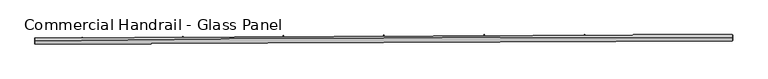
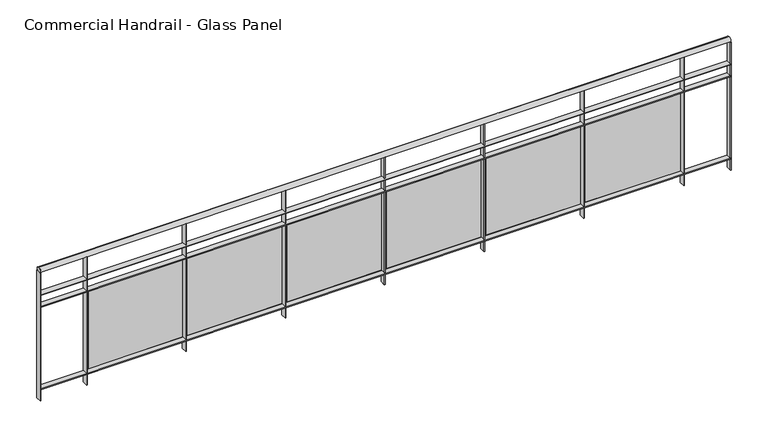
"""IFC4 building model written with IfcOpenShell, lengths in millimetres: railing geometry, Commercial Handrail - Glass Panel."""

from ifc_helpers import new_model, si_unit, point, frame, origin, place, context, project, spatial, polyline, circle_curve, ellipse_curve, trimmed, outline, extrude, source, transform, mapped, element, save
from ifc_brep_helpers import plane_surface, cylinder_surface, revolved_surface, advanced_brep


def commercial_handrail_glass_panel_a58a7375(model_context):
    return source(origin(), model_context, "Body", "SolidModel", [
        advanced_brep(
        [(99695.5207842, -31501.488128, 19682.5), (105244.6880932, -31476.3541341, 19682.5), (105244.6880932, -31476.3541341, 19717.5), (99695.5207842, -31501.488128, 19717.5)],
        [
            (0, 1, circle_curve(frame((103958.1605732, -360026.9365691, 19682.5), z_axis=(0.0, 0.0, -1.0), x_axis=(0.003915736953513462, 0.9999923334726676, 0.0)), 328553.1012963)),
            (1, 2, ellipse_curve(frame((105244.6880932, -31476.3541341, 19700.0), z_axis=(-0.9999923334726678, 0.003915736953507025, 0.0), x_axis=(0.003915736953507024, 0.9999923334726676, 0.0)), 25.0, 17.5)),
            (2, 3, circle_curve(frame((103958.1605732, -360026.9365691, 19717.5), z_axis=(0.0, 0.0, 1.0), x_axis=(0.003915736953513462, 0.9999923334726676, 0.0)), 328553.1012963)),
            (3, 0, ellipse_curve(frame((99695.5207842, -31501.488128, 19700.0), z_axis=(0.9999158344417998, 0.012973975202676357, 0.0), x_axis=(-0.012973975202676354, 0.9999158344417995, 0.0)), 25.0, 17.5)),
            (2, 1, ellipse_curve(frame((105244.6880932, -31476.3541341, 19700.0), z_axis=(-0.9999923334726678, 0.003915736953507025, 0.0), x_axis=(0.003915736953507024, 0.9999923334726676, 0.0)), 25.0, 17.5)),
            (0, 3, ellipse_curve(frame((99695.5207842, -31501.488128, 19700.0), z_axis=(0.9999158344417998, 0.012973975202676357, 0.0), x_axis=(-0.012973975202676354, 0.9999158344417995, 0.0)), 25.0, 17.5)),
        ],
        [
            revolved_surface(trimmed(ellipse_curve(frame((105244.6880932, -31476.3541341, 19700.0), z_axis=(0.9999923334726676, -0.003915736953513463, 0.0), x_axis=(0.0, 0.0, -1.0)), 17.5, 25.0), [point((105244.6880932, -31476.3541341, 19717.5))], [point((105244.6880932, -31476.3541341, 19682.5))], True, "CARTESIAN"), (103958.1605732, -360026.9365691, 19700.0), (0.0, 0.0, 1.0)),
            revolved_surface(trimmed(ellipse_curve(frame((105244.6880932, -31476.3541341, 19700.0), z_axis=(0.9999923334726676, -0.003915736953513463, 0.0), x_axis=(0.0, 0.0, -1.0)), 17.5, 25.0), [point((105244.6880932, -31476.3541341, 19682.5))], [point((105244.6880932, -31476.3541341, 19717.5))], True, "CARTESIAN"), (103958.1605732, -360026.9365691, 19700.0), (0.0, 0.0, 1.0)),
            plane_surface(frame((105244.6880932, -31476.3541341, 19700.0), z_axis=(0.9999923334726677, -0.003915736953513464, 0.0), x_axis=(0.003915736953513464, 0.9999923334726677, 0.0))),
            plane_surface(frame((99695.5207842, -31501.488128, 19700.0), z_axis=(-0.9999158344417997, -0.012973975202676328, 0.0), x_axis=(0.012973975202676328, -0.9999158344417997, 0.0))),
        ],
        [
            (0, [[1, 2, 3, 4]]),
            (1, [[-3, 5, -1, 6]]),
            (2, [[-2, -5]]),
            (3, [[-6, -4]]),
        ],
    ),
        advanced_brep(
        [(99695.8126987, -31523.9862342, 19500.0), (105244.5999891, -31498.8539616, 19500.0), (105244.7761972, -31453.8543066, 19500.0), (99695.2288698, -31478.9900217, 19500.0), (99695.8126987, -31523.9862342, 19494.0), (105244.5999891, -31498.8539616, 19494.0), (99695.2288698, -31478.9900217, 19494.0), (105244.7761972, -31453.8543066, 19494.0)],
        [
            (0, 1, circle_curve(frame((103958.1605732, -360026.9365691, 19500.0), z_axis=(0.0, 0.0, -1.0), x_axis=(0.003915736953513462, 0.9999923334726676, 0.0)), 328530.6012963)),
            (1, 2),
            (2, 3, circle_curve(frame((103958.1605732, -360026.9365691, 19500.0), z_axis=(0.0, 0.0, 1.0), x_axis=(0.003915736953513462, 0.9999923334726676, 0.0)), 328575.6012963)),
            (3, 0),
            (4, 5, circle_curve(frame((103958.1605732, -360026.9365691, 19494.0), z_axis=(0.0, 0.0, -1.0), x_axis=(0.003915736953513462, 0.9999923334726676, 0.0)), 328530.6012963)),
            (5, 1),
            (0, 4),
            (6, 7, circle_curve(frame((103958.1605732, -360026.9365691, 19494.0), z_axis=(0.0, 0.0, -1.0), x_axis=(0.003915736953513462, 0.9999923334726676, 0.0)), 328575.6012963)),
            (7, 5),
            (4, 6),
            (2, 7),
            (6, 3),
        ],
        [
            plane_surface(frame((103958.1605732, -360026.9365691, 19500.0), z_axis=(0.0, 0.0, 1.0000000000000002), x_axis=(0.003915736953513463, 0.9999923334726677, 0.0))),
            revolved_surface(polyline([(105244.59998905592, -31498.85396163439, 19500.0), (105244.59998905592, -31498.85396163439, 19494.0)]), (103958.1605732, -360026.9365691, 19500.0), (0.0, 0.0, 1.0)),
            plane_surface(frame((103958.1605732, -360026.9365691, 19494.0), z_axis=(0.0, 0.0, -1.0000000000000002), x_axis=(0.003915736953513463, 0.9999923334726677, 0.0))),
            cylinder_surface(frame((103958.1605732, -360026.9365691, 19500.0), z_axis=(0.0, 0.0, 1.0), x_axis=(0.003915736953513462, 0.9999923334726676, 0.0)), 328575.6012963),
            plane_surface(frame((105244.6880932, -31476.3541341, 19500.0), z_axis=(0.9999923334726677, -0.003915736953513464, 0.0), x_axis=(0.003915736953513464, 0.9999923334726677, 0.0))),
            plane_surface(frame((99695.5207842, -31501.488128, 19500.0), z_axis=(-0.9999158344417997, -0.012973975202676328, 0.0), x_axis=(0.012973975202676328, -0.9999158344417997, 0.0))),
        ],
        [
            (0, [[1, 2, 3, 4]]),
            (1, [[5, 6, -1, 7]]),
            (2, [[8, 9, -5, 10]]),
            (3, [[-3, 11, -8, 12]]),
            (4, [[-2, -6, -9, -11]]),
            (5, [[-12, -10, -7, -4]]),
        ],
    ),
        advanced_brep(
        [(99695.8126987, -31523.9862342, 19400.0), (105244.5999891, -31498.8539616, 19400.0), (105244.7761972, -31453.8543066, 19400.0), (99695.2288698, -31478.9900217, 19400.0), (99695.8126987, -31523.9862342, 19394.0), (105244.5999891, -31498.8539616, 19394.0), (99695.2288698, -31478.9900217, 19394.0), (105244.7761972, -31453.8543066, 19394.0)],
        [
            (0, 1, circle_curve(frame((103958.1605732, -360026.9365691, 19400.0), z_axis=(0.0, 0.0, -1.0), x_axis=(0.003915736953513462, 0.9999923334726676, 0.0)), 328530.6012963)),
            (1, 2),
            (2, 3, circle_curve(frame((103958.1605732, -360026.9365691, 19400.0), z_axis=(0.0, 0.0, 1.0), x_axis=(0.003915736953513462, 0.9999923334726676, 0.0)), 328575.6012963)),
            (3, 0),
            (4, 5, circle_curve(frame((103958.1605732, -360026.9365691, 19394.0), z_axis=(0.0, 0.0, -1.0), x_axis=(0.003915736953513462, 0.9999923334726676, 0.0)), 328530.6012963)),
            (5, 1),
            (0, 4),
            (6, 7, circle_curve(frame((103958.1605732, -360026.9365691, 19394.0), z_axis=(0.0, 0.0, -1.0), x_axis=(0.003915736953513462, 0.9999923334726676, 0.0)), 328575.6012963)),
            (7, 5),
            (4, 6),
            (2, 7),
            (6, 3),
        ],
        [
            plane_surface(frame((103958.1605732, -360026.9365691, 19400.0), z_axis=(0.0, 0.0, 1.0000000000000002), x_axis=(0.003915736953513463, 0.9999923334726677, 0.0))),
            revolved_surface(polyline([(105244.59998905592, -31498.85396163439, 19400.0), (105244.59998905592, -31498.85396163439, 19394.0)]), (103958.1605732, -360026.9365691, 19400.0), (0.0, 0.0, 1.0)),
            plane_surface(frame((103958.1605732, -360026.9365691, 19394.0), z_axis=(0.0, 0.0, -1.0000000000000002), x_axis=(0.003915736953513463, 0.9999923334726677, 0.0))),
            cylinder_surface(frame((103958.1605732, -360026.9365691, 19400.0), z_axis=(0.0, 0.0, 1.0), x_axis=(0.003915736953513462, 0.9999923334726676, 0.0)), 328575.6012963),
            plane_surface(frame((105244.6880932, -31476.3541341, 19400.0), z_axis=(0.9999923334726677, -0.003915736953513464, 0.0), x_axis=(0.003915736953513464, 0.9999923334726677, 0.0))),
            plane_surface(frame((99695.5207842, -31501.488128, 19400.0), z_axis=(-0.9999158344417997, -0.012973975202676328, 0.0), x_axis=(0.012973975202676328, -0.9999158344417997, 0.0))),
        ],
        [
            (0, [[1, 2, 3, 4]]),
            (1, [[5, 6, -1, 7]]),
            (2, [[8, 9, -5, 10]]),
            (3, [[-3, 11, -8, 12]]),
            (4, [[-2, -6, -9, -11]]),
            (5, [[-12, -10, -7, -4]]),
        ],
    ),
        advanced_brep(
        [(99695.8126987, -31523.9862342, 18700.0), (105244.5999891, -31498.8539616, 18700.0), (105244.7761972, -31453.8543066, 18700.0), (99695.2288698, -31478.9900217, 18700.0), (99695.8126987, -31523.9862342, 18694.0), (105244.5999891, -31498.8539616, 18694.0), (99695.2288698, -31478.9900217, 18694.0), (105244.7761972, -31453.8543066, 18694.0)],
        [
            (0, 1, circle_curve(frame((103958.1605732, -360026.9365691, 18700.0), z_axis=(0.0, 0.0, -1.0), x_axis=(0.003915736953513462, 0.9999923334726676, 0.0)), 328530.6012963)),
            (1, 2),
            (2, 3, circle_curve(frame((103958.1605732, -360026.9365691, 18700.0), z_axis=(0.0, 0.0, 1.0), x_axis=(0.003915736953513462, 0.9999923334726676, 0.0)), 328575.6012963)),
            (3, 0),
            (4, 5, circle_curve(frame((103958.1605732, -360026.9365691, 18694.0), z_axis=(0.0, 0.0, -1.0), x_axis=(0.003915736953513462, 0.9999923334726676, 0.0)), 328530.6012963)),
            (5, 1),
            (0, 4),
            (6, 7, circle_curve(frame((103958.1605732, -360026.9365691, 18694.0), z_axis=(0.0, 0.0, -1.0), x_axis=(0.003915736953513462, 0.9999923334726676, 0.0)), 328575.6012963)),
            (7, 5),
            (4, 6),
            (2, 7),
            (6, 3),
        ],
        [
            plane_surface(frame((103958.1605732, -360026.9365691, 18700.0), z_axis=(0.0, 0.0, 1.0000000000000002), x_axis=(0.003915736953513463, 0.9999923334726677, 0.0))),
            revolved_surface(polyline([(105244.59998905592, -31498.85396163439, 18700.0), (105244.59998905592, -31498.85396163439, 18694.0)]), (103958.1605732, -360026.9365691, 18700.0), (0.0, 0.0, 1.0)),
            plane_surface(frame((103958.1605732, -360026.9365691, 18694.0), z_axis=(0.0, 0.0, -1.0000000000000002), x_axis=(0.003915736953513463, 0.9999923334726677, 0.0))),
            cylinder_surface(frame((103958.1605732, -360026.9365691, 18700.0), z_axis=(0.0, 0.0, 1.0), x_axis=(0.003915736953513462, 0.9999923334726676, 0.0)), 328575.6012963),
            plane_surface(frame((105244.6880932, -31476.3541341, 18700.0), z_axis=(0.9999923334726677, -0.003915736953513464, 0.0), x_axis=(0.003915736953513464, 0.9999923334726677, 0.0))),
            plane_surface(frame((99695.5207842, -31501.488128, 18700.0), z_axis=(-0.9999158344417997, -0.012973975202676328, 0.0), x_axis=(0.012973975202676328, -0.9999158344417997, 0.0))),
        ],
        [
            (0, [[1, 2, 3, 4]]),
            (1, [[5, 6, -1, 7]]),
            (2, [[8, 9, -5, 10]]),
            (3, [[-3, 11, -8, 12]]),
            (4, [[-2, -6, -9, -11]]),
            (5, [[-12, -10, -7, -4]]),
        ],
    ),
        extrude(outline(polyline([(100072.870567, -31474.3071506), (100073.4030869, -31519.3039996), (100067.403507, -31519.3750023), (100066.8709872, -31474.3781533), (100072.870567, -31474.3071506)])), frame((0.0, 0.0, 18600.0), z_axis=(0.0, 0.0, 1.0), x_axis=(1.0, 0.0, 0.0)), (0.0, 0.0, 1.0), 1082.1192282),
        extrude(outline(polyline([(100850.1540943, -31494.3164749), (100090.1969245, -31502.3849334), (100090.0695278, -31490.3856097), (100850.0266976, -31482.3171512), (100850.1540943, -31494.3164749)])), frame((0.0, 0.0, 18720.0), z_axis=(0.0, 0.0, 1.0), x_axis=(1.0, 0.0, 0.0)), (0.0, 0.0, 1.0), 660.0),
        extrude(outline(polyline([(100872.8801451, -31465.8207612), (100873.3030999, -31510.8187735), (100867.3033649, -31510.8751675), (100866.8804102, -31465.8771552), (100872.8801451, -31465.8207612)])), frame((0.0, 0.0, 18600.0), z_axis=(0.0, 0.0, 1.0), x_axis=(1.0, 0.0, 0.0)), (0.0, 0.0, 1.0), 1082.1192282),
        extrude(outline(polyline([(101650.1126472, -31487.7226463), (100890.1380842, -31493.940649), (100890.0399052, -31481.9410507), (101650.0144682, -31475.723048), (101650.1126472, -31487.7226463)])), frame((0.0, 0.0, 18720.0), z_axis=(0.0, 0.0, 1.0), x_axis=(1.0, 0.0, 0.0)), (0.0, 0.0, 1.0), 660.0),
        extrude(outline(polyline([(101672.9080153, -31459.2823531), (101673.2214025, -31504.2812619), (101667.221548, -31504.3230468), (101666.9081608, -31459.3241381), (101672.9080153, -31459.2823531)])), frame((0.0, 0.0, 18600.0), z_axis=(0.0, 0.0, 1.0), x_axis=(1.0, 0.0, 0.0)), (0.0, 0.0, 1.0), 1082.1192282),
        extrude(outline(polyline([(102450.0848841, -31483.0766692), (101690.0974336, -31487.4441792), (101690.028473, -31475.4443774), (102450.0159234, -31471.0768673), (102450.0848841, -31483.0766692)])), frame((0.0, 0.0, 18720.0), z_axis=(0.0, 0.0, 1.0), x_axis=(1.0, 0.0, 0.0)), (0.0, 0.0, 1.0), 660.0),
        extrude(outline(polyline([(102472.9494344, -31454.6919651), (102473.153252, -31499.6915035), (102467.1533136, -31499.7186792), (102466.9494959, -31454.7191408), (102472.9494344, -31454.6919651)])), frame((0.0, 0.0, 18600.0), z_axis=(0.0, 0.0, 1.0), x_axis=(1.0, 0.0, 0.0)), (0.0, 0.0, 1.0), 1082.1192282),
        extrude(outline(polyline([(103250.0660621, -31480.378571), (102490.0702301, -31482.8955625), (102490.0304881, -31470.8956283), (103250.0263202, -31468.3786368), (103250.0660621, -31480.378571)])), frame((0.0, 0.0, 18720.0), z_axis=(0.0, 0.0, 1.0), x_axis=(1.0, 0.0, 0.0)), (0.0, 0.0, 1.0), 660.0),
        extrude(outline(polyline([(103272.999659, -31452.0496243), (103273.0939059, -31497.0495257), (103267.0939191, -31497.0620919), (103266.9996722, -31452.0621906), (103272.999659, -31452.0496243)])), frame((0.0, 0.0, 18600.0), z_axis=(0.0, 0.0, 1.0), x_axis=(1.0, 0.0, 0.0)), (0.0, 0.0, 1.0), 1082.1192282),
        extrude(outline(polyline([(104050.0514383, -31479.6283679), (103290.0517305, -31480.2948258), (103290.0412075, -31468.2948304), (104050.0409153, -31467.6283725), (104050.0514383, -31479.6283679)])), frame((0.0, 0.0, 18720.0), z_axis=(0.0, 0.0, 1.0), x_axis=(1.0, 0.0, 0.0)), (0.0, 0.0, 1.0), 660.0),
        extrude(outline(polyline([(104073.0539458, -31451.3553465), (104073.0386215, -31496.3553439), (104067.0386218, -31496.3533007), (104067.0539462, -31451.3533033), (104073.0539458, -31451.3553465)])), frame((0.0, 0.0, 18600.0), z_axis=(0.0, 0.0, 1.0), x_axis=(1.0, 0.0, 0.0)), (0.0, 0.0, 1.0), 1082.1192282),
        extrude(outline(polyline([(104850.0362697, -31480.8260641), (104090.0371921, -31479.6419846), (104090.0558881, -31467.6419992), (104850.0549657, -31468.8260787), (104850.0362697, -31480.8260641)])), frame((0.0, 0.0, 18720.0), z_axis=(0.0, 0.0, 1.0), x_axis=(1.0, 0.0, 0.0)), (0.0, 0.0, 1.0), 660.0),
        extrude(outline(polyline([(104873.1075514, -31452.6091358), (104872.9826559, -31497.6089625), (104866.9826791, -31497.5923097), (104867.1075746, -31452.592483), (104873.1075514, -31452.6091358)])), frame((0.0, 0.0, 18600.0), z_axis=(0.0, 0.0, 1.0), x_axis=(1.0, 0.0, 0.0)), (0.0, 0.0, 1.0), 1082.1192282),
        extrude(outline(polyline([(99698.2286173, -31478.9510998), (99698.8124462, -31523.9473123), (99692.8129512, -31524.0251562), (99692.2291223, -31479.0289436), (99698.2286173, -31478.9510998)])), frame((0.0, 0.0, 18600.0), z_axis=(0.0, 0.0, 1.0), x_axis=(1.0, 0.0, 0.0)), (0.0, 0.0, 1.0), 1082.1192282),
        extrude(outline(polyline([(105247.7761742, -31453.8660538), (105247.5999661, -31498.8657088), (105241.6000121, -31498.8422144), (105241.7762202, -31453.8425594), (105247.7761742, -31453.8660538)])), frame((0.0, 0.0, 18600.0), z_axis=(0.0, 0.0, 1.0), x_axis=(1.0, 0.0, 0.0)), (0.0, 0.0, 1.0), 1082.1192282),
    ])


if __name__ == "__main__":
    model = new_model("IFC4")
    model_context = context("Model", 3, world=origin())
    ifc_project = project(units=[si_unit("LENGTHUNIT", "METRE", prefix="MILLI")], contexts=[model_context])
    site = spatial("IfcSite", under=ifc_project)
    building = spatial("IfcBuilding", under=site)
    placement = place(None, origin())
    commercial_handrail_glass_panel_shape = commercial_handrail_glass_panel_a58a7375(model_context)
    element("IfcRailing", 1, ObjectType="Commercial Handrail - Glass Panel", at=placement, inside=building, context=model_context, shape_type="MappedRepresentation", body=[
        mapped(commercial_handrail_glass_panel_shape, transform((0.0, 0.0, 0.0), x_axis=(1.0, 0.0, 0.0), y_axis=(0.0, 1.0, 0.0), z_axis=(0.0, 0.0, 1.0))),
    ])
    save(model, "model.ifc")
